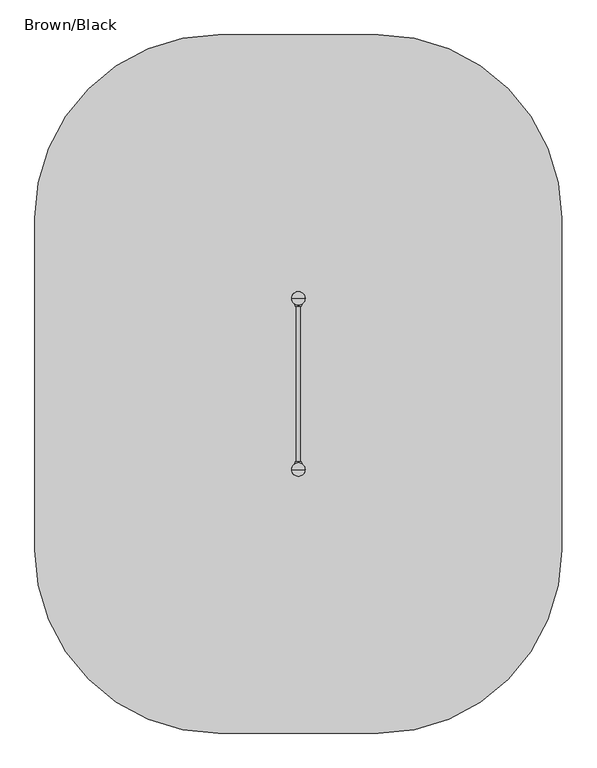
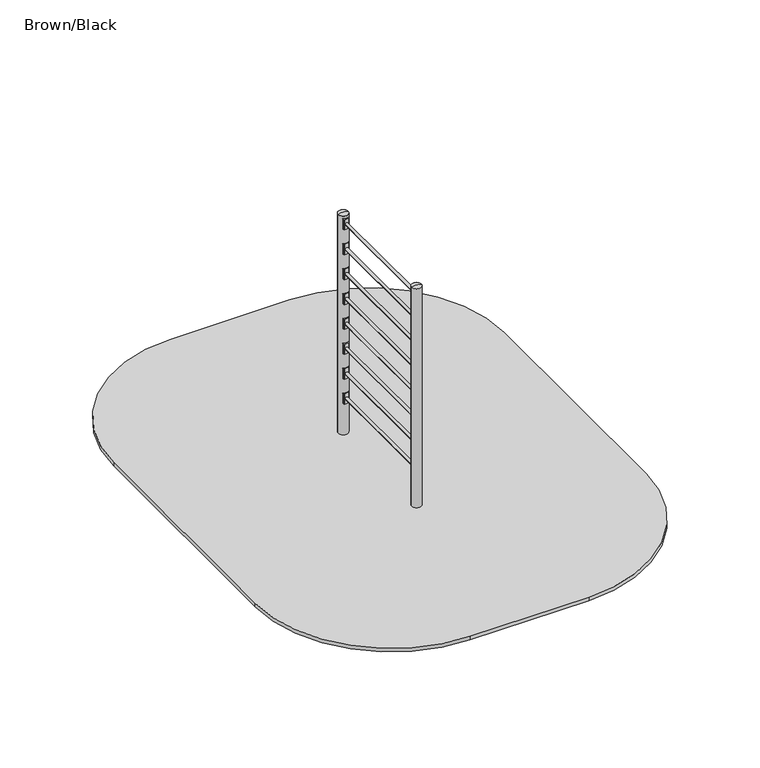
"""IFC4 building model written with IfcOpenShell, lengths in millimetres: furniture geometry, Brown/Black."""

from ifc_helpers import new_model, si_unit, point, frame, frame_2d, origin, place, context, project, spatial, polyline, circle_curve, ellipse_curve, trimmed, segment, composite_curve, outline, extrude, source, transform, mapped, element, save
from ifc_brep_helpers import plane_surface, cylinder_surface, revolved_surface, extruded_surface, advanced_brep


def brown_black_fc62d485(model_context):
    return source(origin(), model_context, "Body", "SolidModel", [
        extrude(outline(composite_curve([segment(trimmed(circle_curve(frame_2d((1769.3699948, 1557.9182617)), 1.0), [point((1768.8276734, 1558.7584329))], [point((1770.3096874, 1557.5762416))], False, "CARTESIAN"), True, "CONTINUOUS"), segment(polyline([(1770.3096874, 1557.5762416), (1764.2394832, 1540.8984927)]), True, "CONTINUOUS"), segment(trimmed(circle_curve(frame_2d((1763.2997906, 1541.2405128)), 1.0), [point((1764.2394832, 1540.8984927))], [point((1763.2997906, 1540.2405128))], False, "CARTESIAN"), True, "CONTINUOUS"), segment(polyline([(1763.2997906, 1540.2405128), (1714.7002057, 1540.2405128)]), True, "CONTINUOUS"), segment(trimmed(circle_curve(frame_2d((1714.7002057, 1541.2405128)), 1.0), [point((1714.7002057, 1540.2405128))], [point((1713.7605131, 1540.8984927))], False, "CARTESIAN"), True, "CONTINUOUS"), segment(polyline([(1713.7605131, 1540.8984927), (1707.6903089, 1557.5762416)]), True, "CONTINUOUS"), segment(trimmed(circle_curve(frame_2d((1708.6300015, 1557.9182617)), 1.0), [point((1707.6903089, 1557.5762416))], [point((1709.1723229, 1558.7584329))], False, "CARTESIAN"), True, "CONTINUOUS"), segment(trimmed(circle_curve(frame_2d((1738.9999981, 1604.9678452)), 55.0), [point((1709.1723229, 1558.7584329))], [point((1768.8276734, 1558.7584329))], True, "CARTESIAN"), True, "CONTINUOUS")], self_intersect=False)), frame((0.0, 0.0, 2400.0), z_axis=(0.0, 0.0, 1.0), x_axis=(1.0, 0.0, 0.0)), (0.0, 0.0, 1.0), 120.0),
        extrude(outline(composite_curve([segment(trimmed(circle_curve(frame_2d((1708.6300052, 252.0740781)), 1.0), [point((1709.1723266, 251.233907))], [point((1707.6903126, 252.4160982))], False, "CARTESIAN"), True, "CONTINUOUS"), segment(polyline([(1707.6903126, 252.4160982), (1713.7605168, 269.0938471)]), True, "CONTINUOUS"), segment(trimmed(circle_curve(frame_2d((1714.7002094, 268.751827)), 1.0), [point((1713.7605168, 269.0938471))], [point((1714.7002094, 269.751827))], False, "CARTESIAN"), True, "CONTINUOUS"), segment(polyline([(1714.7002094, 269.751827), (1763.2997943, 269.751827)]), True, "CONTINUOUS"), segment(trimmed(circle_curve(frame_2d((1763.2997943, 268.751827)), 1.0), [point((1763.2997943, 269.751827))], [point((1764.2394869, 269.0938471))], False, "CARTESIAN"), True, "CONTINUOUS"), segment(polyline([(1764.2394869, 269.0938471), (1770.3096911, 252.4160982)]), True, "CONTINUOUS"), segment(trimmed(circle_curve(frame_2d((1769.3699985, 252.0740781)), 1.0), [point((1770.3096911, 252.4160982))], [point((1768.8276771, 251.233907))], False, "CARTESIAN"), True, "CONTINUOUS"), segment(trimmed(circle_curve(frame_2d((1739.0000019, 205.0244946)), 55.0), [point((1768.8276771, 251.233907))], [point((1709.1723266, 251.233907))], True, "CARTESIAN"), True, "CONTINUOUS")], self_intersect=False)), frame((0.0, 0.0, 2400.0), z_axis=(0.0, 0.0, 1.0), x_axis=(1.0, 0.0, 0.0)), (0.0, 0.0, 1.0), 120.0),
        extrude(outline(composite_curve([segment(trimmed(circle_curve(frame_2d((1769.3699948, 1557.9182617)), 1.0), [point((1768.8276734, 1558.7584329))], [point((1770.3096874, 1557.5762416))], False, "CARTESIAN"), True, "CONTINUOUS"), segment(polyline([(1770.3096874, 1557.5762416), (1764.2394832, 1540.8984927)]), True, "CONTINUOUS"), segment(trimmed(circle_curve(frame_2d((1763.2997906, 1541.2405128)), 1.0), [point((1764.2394832, 1540.8984927))], [point((1763.2997906, 1540.2405128))], False, "CARTESIAN"), True, "CONTINUOUS"), segment(polyline([(1763.2997906, 1540.2405128), (1714.7002057, 1540.2405128)]), True, "CONTINUOUS"), segment(trimmed(circle_curve(frame_2d((1714.7002057, 1541.2405128)), 1.0), [point((1714.7002057, 1540.2405128))], [point((1713.7605131, 1540.8984927))], False, "CARTESIAN"), True, "CONTINUOUS"), segment(polyline([(1713.7605131, 1540.8984927), (1707.6903089, 1557.5762416)]), True, "CONTINUOUS"), segment(trimmed(circle_curve(frame_2d((1708.6300015, 1557.9182617)), 1.0), [point((1707.6903089, 1557.5762416))], [point((1709.1723229, 1558.7584329))], False, "CARTESIAN"), True, "CONTINUOUS"), segment(trimmed(circle_curve(frame_2d((1738.9999981, 1604.9678452)), 55.0), [point((1709.1723229, 1558.7584329))], [point((1768.8276734, 1558.7584329))], True, "CARTESIAN"), True, "CONTINUOUS")], self_intersect=False)), frame((0.0, 0.0, 2110.0), z_axis=(0.0, 0.0, 1.0), x_axis=(1.0, 0.0, 0.0)), (0.0, 0.0, 1.0), 120.0),
        extrude(outline(composite_curve([segment(trimmed(circle_curve(frame_2d((1708.6300052, 252.0740781)), 1.0), [point((1709.1723266, 251.233907))], [point((1707.6903126, 252.4160982))], False, "CARTESIAN"), True, "CONTINUOUS"), segment(polyline([(1707.6903126, 252.4160982), (1713.7605168, 269.0938471)]), True, "CONTINUOUS"), segment(trimmed(circle_curve(frame_2d((1714.7002094, 268.751827)), 1.0), [point((1713.7605168, 269.0938471))], [point((1714.7002094, 269.751827))], False, "CARTESIAN"), True, "CONTINUOUS"), segment(polyline([(1714.7002094, 269.751827), (1763.2997943, 269.751827)]), True, "CONTINUOUS"), segment(trimmed(circle_curve(frame_2d((1763.2997943, 268.751827)), 1.0), [point((1763.2997943, 269.751827))], [point((1764.2394869, 269.0938471))], False, "CARTESIAN"), True, "CONTINUOUS"), segment(polyline([(1764.2394869, 269.0938471), (1770.3096911, 252.4160982)]), True, "CONTINUOUS"), segment(trimmed(circle_curve(frame_2d((1769.3699985, 252.0740781)), 1.0), [point((1770.3096911, 252.4160982))], [point((1768.8276771, 251.233907))], False, "CARTESIAN"), True, "CONTINUOUS"), segment(trimmed(circle_curve(frame_2d((1739.0000019, 205.0244946)), 55.0), [point((1768.8276771, 251.233907))], [point((1709.1723266, 251.233907))], True, "CARTESIAN"), True, "CONTINUOUS")], self_intersect=False)), frame((0.0, 0.0, 2110.0), z_axis=(0.0, 0.0, 1.0), x_axis=(1.0, 0.0, 0.0)), (0.0, 0.0, 1.0), 120.0),
        advanced_brep(
        [(1751.5, 1677.4599432, -225.0), (1739.0, 1677.4599432, -225.0), (1726.5, 1677.4599432, -225.0), (1666.5, 1617.4599432, -225.0), (1666.5, 1592.4599432, -225.0), (1726.5, 1532.4599432, -225.0), (1751.5, 1532.4599432, -225.0), (1811.5, 1592.4599432, -225.0), (1811.5, 1617.4599432, -225.0), (1829.0, 1755.0, -460.0), (1739.0, 1755.0, -460.0), (1649.0, 1755.0, -460.0), (1589.0, 1695.0, -460.0), (1589.0, 1515.0, -460.0), (1649.0, 1455.0, -460.0), (1829.0, 1455.0, -460.0), (1889.0, 1515.0, -460.0), (1889.0, 1695.0, -460.0), (1829.0, 1755.0, -600.0), (1889.0, 1695.0, -600.0), (1889.0, 1515.0, -600.0), (1829.0, 1455.0, -600.0), (1649.0, 1455.0, -600.0), (1589.0, 1515.0, -600.0), (1589.0, 1695.0, -600.0), (1649.0, 1755.0, -600.0), (1739.0, 1755.0, -600.0)],
        [
            (0, 1),
            (1, 2),
            (2, 3, circle_curve(frame((1726.5, 1617.4599432, -225.0), z_axis=(0.0, 0.0, 1.0), x_axis=(1.0, 0.0, 0.0)), 60.0)),
            (3, 4),
            (4, 5, circle_curve(frame((1726.5, 1592.4599432, -225.0), z_axis=(0.0, 0.0, 1.0), x_axis=(1.0, 0.0, 0.0)), 60.0)),
            (5, 6),
            (6, 7, circle_curve(frame((1751.5, 1592.4599432, -225.0), z_axis=(0.0, 0.0, 1.0), x_axis=(1.0, 0.0, 0.0)), 60.0)),
            (7, 8),
            (8, 0, circle_curve(frame((1751.5, 1617.4599432, -225.0), z_axis=(0.0, 0.0, 1.0), x_axis=(1.0, 0.0, 0.0)), 60.0)),
            (0, 9),
            (9, 10),
            (10, 1),
            (10, 11),
            (11, 2),
            (11, 12, circle_curve(frame((1649.0, 1695.0, -460.0), z_axis=(0.0, 0.0, 1.0), x_axis=(1.0, 0.0, 0.0)), 60.0)),
            (12, 3),
            (12, 13),
            (13, 4),
            (13, 14, circle_curve(frame((1649.0, 1515.0, -460.0), z_axis=(0.0, 0.0, 1.0), x_axis=(1.0, 0.0, 0.0)), 60.0)),
            (14, 5),
            (14, 15),
            (15, 6),
            (15, 16, circle_curve(frame((1829.0, 1515.0, -460.0), z_axis=(0.0, 0.0, 1.0), x_axis=(1.0, 0.0, 0.0)), 60.0)),
            (16, 7),
            (16, 17),
            (17, 8),
            (17, 9, circle_curve(frame((1829.0, 1695.0, -460.0), z_axis=(0.0, 0.0, 1.0), x_axis=(1.0, 0.0, 0.0)), 60.0)),
            (18, 19, circle_curve(frame((1829.0, 1695.0, -600.0), z_axis=(0.0, 0.0, -1.0), x_axis=(1.0, 0.0, 0.0)), 60.0)),
            (19, 20),
            (20, 21, circle_curve(frame((1829.0, 1515.0, -600.0), z_axis=(0.0, 0.0, -1.0), x_axis=(1.0, 0.0, 0.0)), 60.0)),
            (21, 22),
            (22, 23, circle_curve(frame((1649.0, 1515.0, -600.0), z_axis=(0.0, 0.0, -1.0), x_axis=(1.0, 0.0, 0.0)), 60.0)),
            (23, 24),
            (24, 25, circle_curve(frame((1649.0, 1695.0, -600.0), z_axis=(0.0, 0.0, -1.0), x_axis=(1.0, 0.0, 0.0)), 60.0)),
            (25, 26),
            (26, 18),
            (26, 10),
            (9, 18),
            (25, 11),
            (23, 13),
            (12, 24),
            (21, 15),
            (14, 22),
            (19, 17),
            (16, 20),
        ],
        [
            plane_surface(frame((1739.0, 1613.0154988, -225.0), z_axis=(0.0, 0.0, 1.0), x_axis=(-1.0, 0.0, 0.0))),
            plane_surface(frame((1745.25, 1677.4599432, -225.0), z_axis=(0.0, 0.9496406059136844, 0.3133412191204512), x_axis=(1.0, 0.0, 0.0))),
            plane_surface(frame((1732.75, 1677.4599432, -225.0), z_axis=(0.0, 0.9496406059136843, 0.3133412191204512), x_axis=(1.0, 0.0, 0.0))),
            extruded_surface(trimmed(circle_curve(frame((1726.5, 1617.4599432, -225.0), z_axis=(0.0, 0.0, -1.0), x_axis=(1.0, 0.0, 0.0)), 60.0), [point((1666.5, 1617.4599432, -225.0))], [point((1726.5, 1677.4599432, -225.0))], True, "CARTESIAN"), (-77.5, 77.5400568, -235.0), 259.3139225119763),
            plane_surface(frame((1666.5, 1604.9599432, -225.0), z_axis=(-0.9496887635303409, 0.0, 0.31319523052596476), x_axis=(0.0, 1.0, 0.0))),
            extruded_surface(trimmed(circle_curve(frame((1726.5, 1592.4599432, -225.0), z_axis=(0.0, 0.0, -1.0), x_axis=(1.0, 0.0, 0.0)), 60.0), [point((1726.5, 1532.4599432, -225.0))], [point((1666.5, 1592.4599432, -225.0))], True, "CARTESIAN"), (-77.5, -77.4599432, -235.0), 259.2899782107809),
            plane_surface(frame((1739.0, 1532.4599432, -225.0), z_axis=(0.0, -0.9497369035840961, 0.3130492197250991), x_axis=(-1.0, 0.0, 0.0))),
            extruded_surface(trimmed(circle_curve(frame((1751.5, 1592.4599432, -225.0), z_axis=(0.0, 0.0, -1.0), x_axis=(1.0, 0.0, 0.0)), 60.0), [point((1811.5, 1592.4599432, -225.0))], [point((1751.5, 1532.4599432, -225.0))], True, "CARTESIAN"), (77.5, -77.4599432, -235.0), 259.2899782107809),
            plane_surface(frame((1811.5, 1604.9599432, -225.0), z_axis=(0.9496887635303416, 0.0, 0.3131952305259627), x_axis=(0.0, -1.0, 0.0))),
            extruded_surface(trimmed(circle_curve(frame((1751.5, 1617.4599432, -225.0), z_axis=(0.0, 0.0, -1.0), x_axis=(1.0, 0.0, 0.0)), 60.0), [point((1751.5, 1677.4599432, -225.0))], [point((1811.5, 1617.4599432, -225.0))], True, "CARTESIAN"), (77.5, 77.5400568, -235.0), 259.3139225119763),
            plane_surface(frame((1739.0, 1755.0, -600.0), z_axis=(0.0, 0.0, -1.0), x_axis=(1.0, 0.0, 0.0))),
            plane_surface(frame((1829.0, 1755.0, -460.0), z_axis=(0.0, 1.0, 0.0), x_axis=(0.0, 0.0, -1.0))),
            plane_surface(frame((1739.0, 1755.0, -460.0), z_axis=(0.0, 1.0, 0.0), x_axis=(0.0, 0.0, -1.0))),
            plane_surface(frame((1589.0, 1695.0, -460.0), z_axis=(-1.0, 0.0, 0.0), x_axis=(0.0, 0.0, -1.0))),
            plane_surface(frame((1649.0, 1455.0, -460.0), z_axis=(0.0, -1.0, 0.0), x_axis=(0.0, 0.0, -1.0))),
            plane_surface(frame((1889.0, 1515.0, -460.0), z_axis=(1.0, 0.0, 0.0), x_axis=(0.0, 0.0, -1.0))),
            cylinder_surface(frame((1649.0, 1695.0, -600.0), z_axis=(0.0, 0.0, 1.0), x_axis=(1.0, 0.0, 0.0)), 60.0),
            cylinder_surface(frame((1649.0, 1515.0, -600.0), z_axis=(0.0, 0.0, 1.0), x_axis=(1.0, 0.0, 0.0)), 60.0),
            cylinder_surface(frame((1829.0, 1515.0, -600.0), z_axis=(0.0, 0.0, 1.0), x_axis=(1.0, 0.0, 0.0)), 60.0),
            cylinder_surface(frame((1829.0, 1695.0, -600.0), z_axis=(0.0, 0.0, 1.0), x_axis=(1.0, 0.0, 0.0)), 60.0),
        ],
        [
            (0, [[1, 2, 3, 4, 5, 6, 7, 8, 9]]),
            (1, [[-1, 10, 11, 12]]),
            (2, [[-2, -12, 13, 14]]),
            (3, [[-3, -14, 15, 16]]),
            (4, [[-4, -16, 17, 18]]),
            (5, [[-5, -18, 19, 20]]),
            (6, [[-6, -20, 21, 22]]),
            (7, [[-7, -22, 23, 24]]),
            (8, [[-8, -24, 25, 26]]),
            (9, [[-9, -26, 27, -10]]),
            (10, [[28, 29, 30, 31, 32, 33, 34, 35, 36]]),
            (11, [[-36, 37, -11, 38]]),
            (12, [[-35, 39, -13, -37]]),
            (13, [[-33, 40, -17, 41]]),
            (14, [[-31, 42, -21, 43]]),
            (15, [[-29, 44, -25, 45]]),
            (16, [[-34, -41, -15, -39]]),
            (17, [[-32, -43, -19, -40]]),
            (18, [[-30, -45, -23, -42]]),
            (19, [[-28, -38, -27, -44]]),
        ],
    ),
        extrude(outline(composite_curve([segment(trimmed(circle_curve(frame_2d((1739.0, 1605.0)), 55.0), [point((1684.0, 1605.0))], [point((1794.0, 1605.0))], False, "CARTESIAN"), True, "CONTINUOUS"), segment(trimmed(circle_curve(frame_2d((1739.0, 1605.0)), 55.0), [point((1794.0, 1605.0))], [point((1684.0, 1605.0))], False, "CARTESIAN"), True, "CONTINUOUS")], self_intersect=False)), frame((0.0, 0.0, -600.0), z_axis=(0.0, 0.0, 1.0), x_axis=(1.0, 0.0, 0.0)), (0.0, 0.0, 1.0), 500.0),
        advanced_brep(
        [(1751.5, 277.4599432, -225.0), (1739.0, 277.4599432, -225.0), (1726.5, 277.4599432, -225.0), (1666.5, 217.4599432, -225.0), (1666.5, 192.4599432, -225.0), (1726.5, 132.4599432, -225.0), (1751.5, 132.4599432, -225.0), (1811.5, 192.4599432, -225.0), (1811.5, 217.4599432, -225.0), (1829.0, 355.0, -460.0), (1739.0, 355.0, -460.0), (1649.0, 355.0, -460.0), (1589.0, 295.0, -460.0), (1589.0, 115.0, -460.0), (1649.0, 55.0, -460.0), (1829.0, 55.0, -460.0), (1889.0, 115.0, -460.0), (1889.0, 295.0, -460.0), (1829.0, 355.0, -600.0), (1889.0, 295.0, -600.0), (1889.0, 115.0, -600.0), (1829.0, 55.0, -600.0), (1649.0, 55.0, -600.0), (1589.0, 115.0, -600.0), (1589.0, 295.0, -600.0), (1649.0, 355.0, -600.0), (1739.0, 355.0, -600.0)],
        [
            (0, 1),
            (1, 2),
            (2, 3, circle_curve(frame((1726.5, 217.4599432, -225.0), z_axis=(0.0, 0.0, 1.0), x_axis=(1.0, 0.0, 0.0)), 60.0)),
            (3, 4),
            (4, 5, circle_curve(frame((1726.5, 192.4599432, -225.0), z_axis=(0.0, 0.0, 1.0), x_axis=(1.0, 0.0, 0.0)), 60.0)),
            (5, 6),
            (6, 7, circle_curve(frame((1751.5, 192.4599432, -225.0), z_axis=(0.0, 0.0, 1.0), x_axis=(1.0, 0.0, 0.0)), 60.0)),
            (7, 8),
            (8, 0, circle_curve(frame((1751.5, 217.4599432, -225.0), z_axis=(0.0, 0.0, 1.0), x_axis=(1.0, 0.0, 0.0)), 60.0)),
            (0, 9),
            (9, 10),
            (10, 1),
            (10, 11),
            (11, 2),
            (11, 12, circle_curve(frame((1649.0, 295.0, -460.0), z_axis=(0.0, 0.0, 1.0), x_axis=(1.0, 0.0, 0.0)), 60.0)),
            (12, 3),
            (12, 13),
            (13, 4),
            (13, 14, circle_curve(frame((1649.0, 115.0, -460.0), z_axis=(0.0, 0.0, 1.0), x_axis=(1.0, 0.0, 0.0)), 60.0)),
            (14, 5),
            (14, 15),
            (15, 6),
            (15, 16, circle_curve(frame((1829.0, 115.0, -460.0), z_axis=(0.0, 0.0, 1.0), x_axis=(1.0, 0.0, 0.0)), 60.0)),
            (16, 7),
            (16, 17),
            (17, 8),
            (17, 9, circle_curve(frame((1829.0, 295.0, -460.0), z_axis=(0.0, 0.0, 1.0), x_axis=(1.0, 0.0, 0.0)), 60.0)),
            (18, 19, circle_curve(frame((1829.0, 295.0, -600.0), z_axis=(0.0, 0.0, -1.0), x_axis=(1.0, 0.0, 0.0)), 60.0)),
            (19, 20),
            (20, 21, circle_curve(frame((1829.0, 115.0, -600.0), z_axis=(0.0, 0.0, -1.0), x_axis=(1.0, 0.0, 0.0)), 60.0)),
            (21, 22),
            (22, 23, circle_curve(frame((1649.0, 115.0, -600.0), z_axis=(0.0, 0.0, -1.0), x_axis=(1.0, 0.0, 0.0)), 60.0)),
            (23, 24),
            (24, 25, circle_curve(frame((1649.0, 295.0, -600.0), z_axis=(0.0, 0.0, -1.0), x_axis=(1.0, 0.0, 0.0)), 60.0)),
            (25, 26),
            (26, 18),
            (26, 10),
            (9, 18),
            (25, 11),
            (23, 13),
            (12, 24),
            (21, 15),
            (14, 22),
            (19, 17),
            (16, 20),
        ],
        [
            plane_surface(frame((1739.0, 213.0154988, -225.0), z_axis=(0.0, 0.0, 1.0), x_axis=(-1.0, 0.0, 0.0))),
            plane_surface(frame((1745.25, 277.4599432, -225.0), z_axis=(0.0, 0.9496406059136844, 0.3133412191204512), x_axis=(1.0, 0.0, 0.0))),
            plane_surface(frame((1732.75, 277.4599432, -225.0), z_axis=(0.0, 0.9496406059136843, 0.3133412191204512), x_axis=(1.0, 0.0, 0.0))),
            extruded_surface(trimmed(circle_curve(frame((1726.5, 217.4599432, -225.0), z_axis=(0.0, 0.0, -1.0), x_axis=(1.0, 0.0, 0.0)), 60.0), [point((1666.5, 217.4599432, -225.0))], [point((1726.5, 277.4599432, -225.0))], True, "CARTESIAN"), (-77.5, 77.5400568, -235.0), 259.3139225119763),
            plane_surface(frame((1666.5, 204.9599432, -225.0), z_axis=(-0.9496887635303409, 0.0, 0.31319523052596476), x_axis=(0.0, 1.0, 0.0))),
            extruded_surface(trimmed(circle_curve(frame((1726.5, 192.4599432, -225.0), z_axis=(0.0, 0.0, -1.0), x_axis=(1.0, 0.0, 0.0)), 60.0), [point((1726.5, 132.4599432, -225.0))], [point((1666.5, 192.4599432, -225.0))], True, "CARTESIAN"), (-77.5, -77.4599432, -235.0), 259.2899782107809),
            plane_surface(frame((1739.0, 132.4599432, -225.0), z_axis=(0.0, -0.9497369035840961, 0.3130492197250991), x_axis=(-1.0, 0.0, 0.0))),
            extruded_surface(trimmed(circle_curve(frame((1751.5, 192.4599432, -225.0), z_axis=(0.0, 0.0, -1.0), x_axis=(1.0, 0.0, 0.0)), 60.0), [point((1811.5, 192.4599432, -225.0))], [point((1751.5, 132.4599432, -225.0))], True, "CARTESIAN"), (77.5, -77.4599432, -235.0), 259.2899782107809),
            plane_surface(frame((1811.5, 204.9599432, -225.0), z_axis=(0.9496887635303416, 0.0, 0.3131952305259627), x_axis=(0.0, -1.0, 0.0))),
            extruded_surface(trimmed(circle_curve(frame((1751.5, 217.4599432, -225.0), z_axis=(0.0, 0.0, -1.0), x_axis=(1.0, 0.0, 0.0)), 60.0), [point((1751.5, 277.4599432, -225.0))], [point((1811.5, 217.4599432, -225.0))], True, "CARTESIAN"), (77.5, 77.5400568, -235.0), 259.3139225119763),
            plane_surface(frame((1739.0, 355.0, -600.0), z_axis=(0.0, 0.0, -1.0), x_axis=(1.0, 0.0, 0.0))),
            plane_surface(frame((1829.0, 355.0, -460.0), z_axis=(0.0, 1.0, 0.0), x_axis=(0.0, 0.0, -1.0))),
            plane_surface(frame((1739.0, 355.0, -460.0), z_axis=(0.0, 1.0, 0.0), x_axis=(0.0, 0.0, -1.0))),
            plane_surface(frame((1589.0, 295.0, -460.0), z_axis=(-1.0, 0.0, 0.0), x_axis=(0.0, 0.0, -1.0))),
            plane_surface(frame((1649.0, 55.0, -460.0), z_axis=(0.0, -1.0, 0.0), x_axis=(0.0, 0.0, -1.0))),
            plane_surface(frame((1889.0, 115.0, -460.0), z_axis=(1.0, 0.0, 0.0), x_axis=(0.0, 0.0, -1.0))),
            cylinder_surface(frame((1649.0, 295.0, -600.0), z_axis=(0.0, 0.0, 1.0), x_axis=(1.0, 0.0, 0.0)), 60.0),
            cylinder_surface(frame((1649.0, 115.0, -600.0), z_axis=(0.0, 0.0, 1.0), x_axis=(1.0, 0.0, 0.0)), 60.0),
            cylinder_surface(frame((1829.0, 115.0, -600.0), z_axis=(0.0, 0.0, 1.0), x_axis=(1.0, 0.0, 0.0)), 60.0),
            cylinder_surface(frame((1829.0, 295.0, -600.0), z_axis=(0.0, 0.0, 1.0), x_axis=(1.0, 0.0, 0.0)), 60.0),
        ],
        [
            (0, [[1, 2, 3, 4, 5, 6, 7, 8, 9]]),
            (1, [[-1, 10, 11, 12]]),
            (2, [[-2, -12, 13, 14]]),
            (3, [[-3, -14, 15, 16]]),
            (4, [[-4, -16, 17, 18]]),
            (5, [[-5, -18, 19, 20]]),
            (6, [[-6, -20, 21, 22]]),
            (7, [[-7, -22, 23, 24]]),
            (8, [[-8, -24, 25, 26]]),
            (9, [[-9, -26, 27, -10]]),
            (10, [[28, 29, 30, 31, 32, 33, 34, 35, 36]]),
            (11, [[-36, 37, -11, 38]]),
            (12, [[-35, 39, -13, -37]]),
            (13, [[-33, 40, -17, 41]]),
            (14, [[-31, 42, -21, 43]]),
            (15, [[-29, 44, -25, 45]]),
            (16, [[-34, -41, -15, -39]]),
            (17, [[-32, -43, -19, -40]]),
            (18, [[-30, -45, -23, -42]]),
            (19, [[-28, -38, -27, -44]]),
        ],
    ),
        extrude(outline(composite_curve([segment(trimmed(circle_curve(frame_2d((1739.0, 205.0)), 55.0), [point((1684.0, 205.0))], [point((1794.0, 205.0))], False, "CARTESIAN"), True, "CONTINUOUS"), segment(trimmed(circle_curve(frame_2d((1739.0, 205.0)), 55.0), [point((1794.0, 205.0))], [point((1684.0, 205.0))], False, "CARTESIAN"), True, "CONTINUOUS")], self_intersect=False)), frame((0.0, 0.0, -600.0), z_axis=(0.0, 0.0, 1.0), x_axis=(1.0, 0.0, 0.0)), (0.0, 0.0, 1.0), 500.0),
        extrude(outline(composite_curve([segment(trimmed(circle_curve(frame_2d((1769.3699948, 1557.9182617)), 1.0), [point((1768.8276734, 1558.7584329))], [point((1770.3096874, 1557.5762416))], False, "CARTESIAN"), True, "CONTINUOUS"), segment(polyline([(1770.3096874, 1557.5762416), (1764.2394832, 1540.8984927)]), True, "CONTINUOUS"), segment(trimmed(circle_curve(frame_2d((1763.2997906, 1541.2405128)), 1.0), [point((1764.2394832, 1540.8984927))], [point((1763.2997906, 1540.2405128))], False, "CARTESIAN"), True, "CONTINUOUS"), segment(polyline([(1763.2997906, 1540.2405128), (1714.7002057, 1540.2405128)]), True, "CONTINUOUS"), segment(trimmed(circle_curve(frame_2d((1714.7002057, 1541.2405128)), 1.0), [point((1714.7002057, 1540.2405128))], [point((1713.7605131, 1540.8984927))], False, "CARTESIAN"), True, "CONTINUOUS"), segment(polyline([(1713.7605131, 1540.8984927), (1707.6903089, 1557.5762416)]), True, "CONTINUOUS"), segment(trimmed(circle_curve(frame_2d((1708.6300015, 1557.9182617)), 1.0), [point((1707.6903089, 1557.5762416))], [point((1709.1723229, 1558.7584329))], False, "CARTESIAN"), True, "CONTINUOUS"), segment(trimmed(circle_curve(frame_2d((1738.9999981, 1604.9678452)), 55.0), [point((1709.1723229, 1558.7584329))], [point((1768.8276734, 1558.7584329))], True, "CARTESIAN"), True, "CONTINUOUS")], self_intersect=False)), frame((0.0, 0.0, 370.0), z_axis=(0.0, 0.0, 1.0), x_axis=(1.0, 0.0, 0.0)), (0.0, 0.0, 1.0), 120.0),
        extrude(outline(composite_curve([segment(trimmed(circle_curve(frame_2d((1708.6300052, 252.0740781)), 1.0), [point((1709.1723266, 251.233907))], [point((1707.6903126, 252.4160982))], False, "CARTESIAN"), True, "CONTINUOUS"), segment(polyline([(1707.6903126, 252.4160982), (1713.7605168, 269.0938471)]), True, "CONTINUOUS"), segment(trimmed(circle_curve(frame_2d((1714.7002094, 268.751827)), 1.0), [point((1713.7605168, 269.0938471))], [point((1714.7002094, 269.751827))], False, "CARTESIAN"), True, "CONTINUOUS"), segment(polyline([(1714.7002094, 269.751827), (1763.2997943, 269.751827)]), True, "CONTINUOUS"), segment(trimmed(circle_curve(frame_2d((1763.2997943, 268.751827)), 1.0), [point((1763.2997943, 269.751827))], [point((1764.2394869, 269.0938471))], False, "CARTESIAN"), True, "CONTINUOUS"), segment(polyline([(1764.2394869, 269.0938471), (1770.3096911, 252.4160982)]), True, "CONTINUOUS"), segment(trimmed(circle_curve(frame_2d((1769.3699985, 252.0740781)), 1.0), [point((1770.3096911, 252.4160982))], [point((1768.8276771, 251.233907))], False, "CARTESIAN"), True, "CONTINUOUS"), segment(trimmed(circle_curve(frame_2d((1739.0000019, 205.0244946)), 55.0), [point((1768.8276771, 251.233907))], [point((1709.1723266, 251.233907))], True, "CARTESIAN"), True, "CONTINUOUS")], self_intersect=False)), frame((0.0, 0.0, 370.0), z_axis=(0.0, 0.0, 1.0), x_axis=(1.0, 0.0, 0.0)), (0.0, 0.0, 1.0), 120.0),
        extrude(outline(composite_curve([segment(trimmed(circle_curve(frame_2d((1769.3699948, 1557.9182617)), 1.0), [point((1768.8276734, 1558.7584329))], [point((1770.3096874, 1557.5762416))], False, "CARTESIAN"), True, "CONTINUOUS"), segment(polyline([(1770.3096874, 1557.5762416), (1764.2394832, 1540.8984927)]), True, "CONTINUOUS"), segment(trimmed(circle_curve(frame_2d((1763.2997906, 1541.2405128)), 1.0), [point((1764.2394832, 1540.8984927))], [point((1763.2997906, 1540.2405128))], False, "CARTESIAN"), True, "CONTINUOUS"), segment(polyline([(1763.2997906, 1540.2405128), (1714.7002057, 1540.2405128)]), True, "CONTINUOUS"), segment(trimmed(circle_curve(frame_2d((1714.7002057, 1541.2405128)), 1.0), [point((1714.7002057, 1540.2405128))], [point((1713.7605131, 1540.8984927))], False, "CARTESIAN"), True, "CONTINUOUS"), segment(polyline([(1713.7605131, 1540.8984927), (1707.6903089, 1557.5762416)]), True, "CONTINUOUS"), segment(trimmed(circle_curve(frame_2d((1708.6300015, 1557.9182617)), 1.0), [point((1707.6903089, 1557.5762416))], [point((1709.1723229, 1558.7584329))], False, "CARTESIAN"), True, "CONTINUOUS"), segment(trimmed(circle_curve(frame_2d((1738.9999981, 1604.9678452)), 55.0), [point((1709.1723229, 1558.7584329))], [point((1768.8276734, 1558.7584329))], True, "CARTESIAN"), True, "CONTINUOUS")], self_intersect=False)), frame((0.0, 0.0, 660.0), z_axis=(0.0, 0.0, 1.0), x_axis=(1.0, 0.0, 0.0)), (0.0, 0.0, 1.0), 120.0),
        extrude(outline(composite_curve([segment(trimmed(circle_curve(frame_2d((1708.6300052, 252.0740781)), 1.0), [point((1709.1723266, 251.233907))], [point((1707.6903126, 252.4160982))], False, "CARTESIAN"), True, "CONTINUOUS"), segment(polyline([(1707.6903126, 252.4160982), (1713.7605168, 269.0938471)]), True, "CONTINUOUS"), segment(trimmed(circle_curve(frame_2d((1714.7002094, 268.751827)), 1.0), [point((1713.7605168, 269.0938471))], [point((1714.7002094, 269.751827))], False, "CARTESIAN"), True, "CONTINUOUS"), segment(polyline([(1714.7002094, 269.751827), (1763.2997943, 269.751827)]), True, "CONTINUOUS"), segment(trimmed(circle_curve(frame_2d((1763.2997943, 268.751827)), 1.0), [point((1763.2997943, 269.751827))], [point((1764.2394869, 269.0938471))], False, "CARTESIAN"), True, "CONTINUOUS"), segment(polyline([(1764.2394869, 269.0938471), (1770.3096911, 252.4160982)]), True, "CONTINUOUS"), segment(trimmed(circle_curve(frame_2d((1769.3699985, 252.0740781)), 1.0), [point((1770.3096911, 252.4160982))], [point((1768.8276771, 251.233907))], False, "CARTESIAN"), True, "CONTINUOUS"), segment(trimmed(circle_curve(frame_2d((1739.0000019, 205.0244946)), 55.0), [point((1768.8276771, 251.233907))], [point((1709.1723266, 251.233907))], True, "CARTESIAN"), True, "CONTINUOUS")], self_intersect=False)), frame((0.0, 0.0, 660.0), z_axis=(0.0, 0.0, 1.0), x_axis=(1.0, 0.0, 0.0)), (0.0, 0.0, 1.0), 120.0),
        extrude(outline(composite_curve([segment(trimmed(circle_curve(frame_2d((1769.3699948, 1557.9182617)), 1.0), [point((1768.8276734, 1558.7584329))], [point((1770.3096874, 1557.5762416))], False, "CARTESIAN"), True, "CONTINUOUS"), segment(polyline([(1770.3096874, 1557.5762416), (1764.2394832, 1540.8984927)]), True, "CONTINUOUS"), segment(trimmed(circle_curve(frame_2d((1763.2997906, 1541.2405128)), 1.0), [point((1764.2394832, 1540.8984927))], [point((1763.2997906, 1540.2405128))], False, "CARTESIAN"), True, "CONTINUOUS"), segment(polyline([(1763.2997906, 1540.2405128), (1714.7002057, 1540.2405128)]), True, "CONTINUOUS"), segment(trimmed(circle_curve(frame_2d((1714.7002057, 1541.2405128)), 1.0), [point((1714.7002057, 1540.2405128))], [point((1713.7605131, 1540.8984927))], False, "CARTESIAN"), True, "CONTINUOUS"), segment(polyline([(1713.7605131, 1540.8984927), (1707.6903089, 1557.5762416)]), True, "CONTINUOUS"), segment(trimmed(circle_curve(frame_2d((1708.6300015, 1557.9182617)), 1.0), [point((1707.6903089, 1557.5762416))], [point((1709.1723229, 1558.7584329))], False, "CARTESIAN"), True, "CONTINUOUS"), segment(trimmed(circle_curve(frame_2d((1738.9999981, 1604.9678452)), 55.0), [point((1709.1723229, 1558.7584329))], [point((1768.8276734, 1558.7584329))], True, "CARTESIAN"), True, "CONTINUOUS")], self_intersect=False)), frame((0.0, 0.0, 950.0), z_axis=(0.0, 0.0, 1.0), x_axis=(1.0, 0.0, 0.0)), (0.0, 0.0, 1.0), 120.0),
        extrude(outline(composite_curve([segment(trimmed(circle_curve(frame_2d((1708.6300052, 252.0740781)), 1.0), [point((1709.1723266, 251.233907))], [point((1707.6903126, 252.4160982))], False, "CARTESIAN"), True, "CONTINUOUS"), segment(polyline([(1707.6903126, 252.4160982), (1713.7605168, 269.0938471)]), True, "CONTINUOUS"), segment(trimmed(circle_curve(frame_2d((1714.7002094, 268.751827)), 1.0), [point((1713.7605168, 269.0938471))], [point((1714.7002094, 269.751827))], False, "CARTESIAN"), True, "CONTINUOUS"), segment(polyline([(1714.7002094, 269.751827), (1763.2997943, 269.751827)]), True, "CONTINUOUS"), segment(trimmed(circle_curve(frame_2d((1763.2997943, 268.751827)), 1.0), [point((1763.2997943, 269.751827))], [point((1764.2394869, 269.0938471))], False, "CARTESIAN"), True, "CONTINUOUS"), segment(polyline([(1764.2394869, 269.0938471), (1770.3096911, 252.4160982)]), True, "CONTINUOUS"), segment(trimmed(circle_curve(frame_2d((1769.3699985, 252.0740781)), 1.0), [point((1770.3096911, 252.4160982))], [point((1768.8276771, 251.233907))], False, "CARTESIAN"), True, "CONTINUOUS"), segment(trimmed(circle_curve(frame_2d((1739.0000019, 205.0244946)), 55.0), [point((1768.8276771, 251.233907))], [point((1709.1723266, 251.233907))], True, "CARTESIAN"), True, "CONTINUOUS")], self_intersect=False)), frame((0.0, 0.0, 950.0), z_axis=(0.0, 0.0, 1.0), x_axis=(1.0, 0.0, 0.0)), (0.0, 0.0, 1.0), 120.0),
        extrude(outline(composite_curve([segment(trimmed(circle_curve(frame_2d((1769.3699948, 1557.9182617)), 1.0), [point((1768.8276734, 1558.7584329))], [point((1770.3096874, 1557.5762416))], False, "CARTESIAN"), True, "CONTINUOUS"), segment(polyline([(1770.3096874, 1557.5762416), (1764.2394832, 1540.8984927)]), True, "CONTINUOUS"), segment(trimmed(circle_curve(frame_2d((1763.2997906, 1541.2405128)), 1.0), [point((1764.2394832, 1540.8984927))], [point((1763.2997906, 1540.2405128))], False, "CARTESIAN"), True, "CONTINUOUS"), segment(polyline([(1763.2997906, 1540.2405128), (1714.7002057, 1540.2405128)]), True, "CONTINUOUS"), segment(trimmed(circle_curve(frame_2d((1714.7002057, 1541.2405128)), 1.0), [point((1714.7002057, 1540.2405128))], [point((1713.7605131, 1540.8984927))], False, "CARTESIAN"), True, "CONTINUOUS"), segment(polyline([(1713.7605131, 1540.8984927), (1707.6903089, 1557.5762416)]), True, "CONTINUOUS"), segment(trimmed(circle_curve(frame_2d((1708.6300015, 1557.9182617)), 1.0), [point((1707.6903089, 1557.5762416))], [point((1709.1723229, 1558.7584329))], False, "CARTESIAN"), True, "CONTINUOUS"), segment(trimmed(circle_curve(frame_2d((1738.9999981, 1604.9678452)), 55.0), [point((1709.1723229, 1558.7584329))], [point((1768.8276734, 1558.7584329))], True, "CARTESIAN"), True, "CONTINUOUS")], self_intersect=False)), frame((0.0, 0.0, 1240.0), z_axis=(0.0, 0.0, 1.0), x_axis=(1.0, 0.0, 0.0)), (0.0, 0.0, 1.0), 120.0),
        extrude(outline(composite_curve([segment(trimmed(circle_curve(frame_2d((1708.6300052, 252.0740781)), 1.0), [point((1709.1723266, 251.233907))], [point((1707.6903126, 252.4160982))], False, "CARTESIAN"), True, "CONTINUOUS"), segment(polyline([(1707.6903126, 252.4160982), (1713.7605168, 269.0938471)]), True, "CONTINUOUS"), segment(trimmed(circle_curve(frame_2d((1714.7002094, 268.751827)), 1.0), [point((1713.7605168, 269.0938471))], [point((1714.7002094, 269.751827))], False, "CARTESIAN"), True, "CONTINUOUS"), segment(polyline([(1714.7002094, 269.751827), (1763.2997943, 269.751827)]), True, "CONTINUOUS"), segment(trimmed(circle_curve(frame_2d((1763.2997943, 268.751827)), 1.0), [point((1763.2997943, 269.751827))], [point((1764.2394869, 269.0938471))], False, "CARTESIAN"), True, "CONTINUOUS"), segment(polyline([(1764.2394869, 269.0938471), (1770.3096911, 252.4160982)]), True, "CONTINUOUS"), segment(trimmed(circle_curve(frame_2d((1769.3699985, 252.0740781)), 1.0), [point((1770.3096911, 252.4160982))], [point((1768.8276771, 251.233907))], False, "CARTESIAN"), True, "CONTINUOUS"), segment(trimmed(circle_curve(frame_2d((1739.0000019, 205.0244946)), 55.0), [point((1768.8276771, 251.233907))], [point((1709.1723266, 251.233907))], True, "CARTESIAN"), True, "CONTINUOUS")], self_intersect=False)), frame((0.0, 0.0, 1240.0), z_axis=(0.0, 0.0, 1.0), x_axis=(1.0, 0.0, 0.0)), (0.0, 0.0, 1.0), 120.0),
        extrude(outline(composite_curve([segment(trimmed(circle_curve(frame_2d((1769.3699948, 1557.9182617)), 1.0), [point((1768.8276734, 1558.7584329))], [point((1770.3096874, 1557.5762416))], False, "CARTESIAN"), True, "CONTINUOUS"), segment(polyline([(1770.3096874, 1557.5762416), (1764.2394832, 1540.8984927)]), True, "CONTINUOUS"), segment(trimmed(circle_curve(frame_2d((1763.2997906, 1541.2405128)), 1.0), [point((1764.2394832, 1540.8984927))], [point((1763.2997906, 1540.2405128))], False, "CARTESIAN"), True, "CONTINUOUS"), segment(polyline([(1763.2997906, 1540.2405128), (1714.7002057, 1540.2405128)]), True, "CONTINUOUS"), segment(trimmed(circle_curve(frame_2d((1714.7002057, 1541.2405128)), 1.0), [point((1714.7002057, 1540.2405128))], [point((1713.7605131, 1540.8984927))], False, "CARTESIAN"), True, "CONTINUOUS"), segment(polyline([(1713.7605131, 1540.8984927), (1707.6903089, 1557.5762416)]), True, "CONTINUOUS"), segment(trimmed(circle_curve(frame_2d((1708.6300015, 1557.9182617)), 1.0), [point((1707.6903089, 1557.5762416))], [point((1709.1723229, 1558.7584329))], False, "CARTESIAN"), True, "CONTINUOUS"), segment(trimmed(circle_curve(frame_2d((1738.9999981, 1604.9678452)), 55.0), [point((1709.1723229, 1558.7584329))], [point((1768.8276734, 1558.7584329))], True, "CARTESIAN"), True, "CONTINUOUS")], self_intersect=False)), frame((0.0, 0.0, 1530.0), z_axis=(0.0, 0.0, 1.0), x_axis=(1.0, 0.0, 0.0)), (0.0, 0.0, 1.0), 120.0),
        extrude(outline(composite_curve([segment(trimmed(circle_curve(frame_2d((1708.6300052, 252.0740781)), 1.0), [point((1709.1723266, 251.233907))], [point((1707.6903126, 252.4160982))], False, "CARTESIAN"), True, "CONTINUOUS"), segment(polyline([(1707.6903126, 252.4160982), (1713.7605168, 269.0938471)]), True, "CONTINUOUS"), segment(trimmed(circle_curve(frame_2d((1714.7002094, 268.751827)), 1.0), [point((1713.7605168, 269.0938471))], [point((1714.7002094, 269.751827))], False, "CARTESIAN"), True, "CONTINUOUS"), segment(polyline([(1714.7002094, 269.751827), (1763.2997943, 269.751827)]), True, "CONTINUOUS"), segment(trimmed(circle_curve(frame_2d((1763.2997943, 268.751827)), 1.0), [point((1763.2997943, 269.751827))], [point((1764.2394869, 269.0938471))], False, "CARTESIAN"), True, "CONTINUOUS"), segment(polyline([(1764.2394869, 269.0938471), (1770.3096911, 252.4160982)]), True, "CONTINUOUS"), segment(trimmed(circle_curve(frame_2d((1769.3699985, 252.0740781)), 1.0), [point((1770.3096911, 252.4160982))], [point((1768.8276771, 251.233907))], False, "CARTESIAN"), True, "CONTINUOUS"), segment(trimmed(circle_curve(frame_2d((1739.0000019, 205.0244946)), 55.0), [point((1768.8276771, 251.233907))], [point((1709.1723266, 251.233907))], True, "CARTESIAN"), True, "CONTINUOUS")], self_intersect=False)), frame((0.0, 0.0, 1530.0), z_axis=(0.0, 0.0, 1.0), x_axis=(1.0, 0.0, 0.0)), (0.0, 0.0, 1.0), 120.0),
        extrude(outline(composite_curve([segment(trimmed(circle_curve(frame_2d((1769.3699948, 1557.9182617)), 1.0), [point((1768.8276734, 1558.7584329))], [point((1770.3096874, 1557.5762416))], False, "CARTESIAN"), True, "CONTINUOUS"), segment(polyline([(1770.3096874, 1557.5762416), (1764.2394832, 1540.8984927)]), True, "CONTINUOUS"), segment(trimmed(circle_curve(frame_2d((1763.2997906, 1541.2405128)), 1.0), [point((1764.2394832, 1540.8984927))], [point((1763.2997906, 1540.2405128))], False, "CARTESIAN"), True, "CONTINUOUS"), segment(polyline([(1763.2997906, 1540.2405128), (1714.7002057, 1540.2405128)]), True, "CONTINUOUS"), segment(trimmed(circle_curve(frame_2d((1714.7002057, 1541.2405128)), 1.0), [point((1714.7002057, 1540.2405128))], [point((1713.7605131, 1540.8984927))], False, "CARTESIAN"), True, "CONTINUOUS"), segment(polyline([(1713.7605131, 1540.8984927), (1707.6903089, 1557.5762416)]), True, "CONTINUOUS"), segment(trimmed(circle_curve(frame_2d((1708.6300015, 1557.9182617)), 1.0), [point((1707.6903089, 1557.5762416))], [point((1709.1723229, 1558.7584329))], False, "CARTESIAN"), True, "CONTINUOUS"), segment(trimmed(circle_curve(frame_2d((1738.9999981, 1604.9678452)), 55.0), [point((1709.1723229, 1558.7584329))], [point((1768.8276734, 1558.7584329))], True, "CARTESIAN"), True, "CONTINUOUS")], self_intersect=False)), frame((0.0, 0.0, 1820.0), z_axis=(0.0, 0.0, 1.0), x_axis=(1.0, 0.0, 0.0)), (0.0, 0.0, 1.0), 120.0),
        extrude(outline(composite_curve([segment(trimmed(circle_curve(frame_2d((1708.6300052, 252.0740781)), 1.0), [point((1709.1723266, 251.233907))], [point((1707.6903126, 252.4160982))], False, "CARTESIAN"), True, "CONTINUOUS"), segment(polyline([(1707.6903126, 252.4160982), (1713.7605168, 269.0938471)]), True, "CONTINUOUS"), segment(trimmed(circle_curve(frame_2d((1714.7002094, 268.751827)), 1.0), [point((1713.7605168, 269.0938471))], [point((1714.7002094, 269.751827))], False, "CARTESIAN"), True, "CONTINUOUS"), segment(polyline([(1714.7002094, 269.751827), (1763.2997943, 269.751827)]), True, "CONTINUOUS"), segment(trimmed(circle_curve(frame_2d((1763.2997943, 268.751827)), 1.0), [point((1763.2997943, 269.751827))], [point((1764.2394869, 269.0938471))], False, "CARTESIAN"), True, "CONTINUOUS"), segment(polyline([(1764.2394869, 269.0938471), (1770.3096911, 252.4160982)]), True, "CONTINUOUS"), segment(trimmed(circle_curve(frame_2d((1769.3699985, 252.0740781)), 1.0), [point((1770.3096911, 252.4160982))], [point((1768.8276771, 251.233907))], False, "CARTESIAN"), True, "CONTINUOUS"), segment(trimmed(circle_curve(frame_2d((1739.0000019, 205.0244946)), 55.0), [point((1768.8276771, 251.233907))], [point((1709.1723266, 251.233907))], True, "CARTESIAN"), True, "CONTINUOUS")], self_intersect=False)), frame((0.0, 0.0, 1820.0), z_axis=(0.0, 0.0, 1.0), x_axis=(1.0, 0.0, 0.0)), (0.0, 0.0, 1.0), 120.0),
        advanced_brep(
        [(1794.0, 1605.0, 2550.0), (1684.0, 1605.0, 2550.0), (1739.0, 1605.0, 2562.0246565), (1739.0, 1605.0, 2550.0)],
        [
            (0, 1, circle_curve(frame((1739.0, 1605.0, 2550.0), z_axis=(0.0, 0.0, 1.0), x_axis=(-1.0, 0.0, 0.0)), 55.0)),
            (1, 2, circle_curve(frame((1734.4549856, 1605.0, 2451.0177111), z_axis=(0.0, 1.0, 0.0), x_axis=(-1.0, 0.0, 0.0)), 111.0999509)),
            (2, 0, circle_curve(frame((1743.5450144, 1605.0, 2451.0177111), z_axis=(0.0, 1.0, 0.0), x_axis=(1.0, 0.0, 0.0)), 111.0999509)),
            (1, 0, circle_curve(frame((1739.0, 1605.0, 2550.0), z_axis=(0.0, 0.0, 1.0), x_axis=(-1.0, 0.0, 0.0)), 55.0)),
            (3, 1),
            (0, 3),
        ],
        [
            revolved_surface(trimmed(ellipse_curve(frame((1734.4549856, 1605.0, 2451.0177111), z_axis=(0.0, -1.0, 0.0), x_axis=(-1.0, 0.0, 0.0)), 111.0999509, 111.0999509), [point((1739.0, 1605.0, 2562.0246565))], [point((1684.0, 1605.0, 2550.0))], True, "CARTESIAN"), (1739.0, 1605.0, 2169.0), (0.0, 0.0, -1.0)),
            plane_surface(frame((1739.0, 1605.0, 2550.0), z_axis=(0.0, 0.0, -1.0), x_axis=(-1.0, 0.0, 0.0))),
        ],
        [
            (0, [[1, 2, 3]]),
            (0, [[4, -3, -2]]),
            (1, [[5, -1, 6]]),
            (1, [[-6, -4, -5]]),
        ],
    ),
        advanced_brep(
        [(1794.0, 205.0, 2550.0), (1684.0, 205.0, 2550.0), (1739.0, 205.0, 2562.0246565), (1739.0, 205.0, 2550.0)],
        [
            (0, 1, circle_curve(frame((1739.0, 205.0, 2550.0), z_axis=(0.0, 0.0, 1.0), x_axis=(-1.0, 0.0, 0.0)), 55.0)),
            (1, 2, circle_curve(frame((1734.4549856, 205.0, 2451.0177111), z_axis=(0.0, 1.0, 0.0), x_axis=(-1.0, 0.0, 0.0)), 111.0999509)),
            (2, 0, circle_curve(frame((1743.5450144, 205.0, 2451.0177111), z_axis=(0.0, 1.0, 0.0), x_axis=(1.0, 0.0, 0.0)), 111.0999509)),
            (1, 0, circle_curve(frame((1739.0, 205.0, 2550.0), z_axis=(0.0, 0.0, 1.0), x_axis=(-1.0, 0.0, 0.0)), 55.0)),
            (3, 1),
            (0, 3),
        ],
        [
            revolved_surface(trimmed(ellipse_curve(frame((1734.4549856, 205.0, 2451.0177111), z_axis=(0.0, -1.0, 0.0), x_axis=(-1.0, 0.0, 0.0)), 111.0999509, 111.0999509), [point((1739.0, 205.0, 2562.0246565))], [point((1684.0, 205.0, 2550.0))], True, "CARTESIAN"), (1739.0, 205.0, 2169.0), (0.0, 0.0, -1.0)),
            plane_surface(frame((1739.0, 205.0, 2550.0), z_axis=(0.0, 0.0, -1.0), x_axis=(-1.0, 0.0, 0.0))),
        ],
        [
            (0, [[1, 2, 3]]),
            (0, [[4, -3, -2]]),
            (1, [[5, -1, 6]]),
            (1, [[-6, -4, -5]]),
        ],
    ),
        extrude(outline(composite_curve([segment(trimmed(circle_curve(frame_2d((1880.0, 1739.0)), 16.0), [point((1880.0, 1723.0))], [point((1880.0, 1755.0))], False, "CARTESIAN"), True, "CONTINUOUS"), segment(trimmed(circle_curve(frame_2d((1880.0, 1739.0)), 16.0), [point((1880.0, 1755.0))], [point((1880.0, 1723.0))], False, "CARTESIAN"), True, "CONTINUOUS")], self_intersect=False)), frame((0.0, 269.751827, 0.0), z_axis=(0.0, 1.0, 0.0), x_axis=(0.0, 0.0, 1.0)), (0.0, 0.0, 1.0), 1270.4886858),
        extrude(outline(composite_curve([segment(trimmed(circle_curve(frame_2d((1590.0, 1739.0)), 16.0), [point((1590.0, 1723.0))], [point((1590.0, 1755.0))], False, "CARTESIAN"), True, "CONTINUOUS"), segment(trimmed(circle_curve(frame_2d((1590.0, 1739.0)), 16.0), [point((1590.0, 1755.0))], [point((1590.0, 1723.0))], False, "CARTESIAN"), True, "CONTINUOUS")], self_intersect=False)), frame((0.0, 269.751827, 0.0), z_axis=(0.0, 1.0, 0.0), x_axis=(0.0, 0.0, 1.0)), (0.0, 0.0, 1.0), 1270.4886858),
        extrude(outline(composite_curve([segment(trimmed(circle_curve(frame_2d((1300.0, 1739.0)), 16.0), [point((1300.0, 1723.0))], [point((1300.0, 1755.0))], False, "CARTESIAN"), True, "CONTINUOUS"), segment(trimmed(circle_curve(frame_2d((1300.0, 1739.0)), 16.0), [point((1300.0, 1755.0))], [point((1300.0, 1723.0))], False, "CARTESIAN"), True, "CONTINUOUS")], self_intersect=False)), frame((0.0, 269.751827, 0.0), z_axis=(0.0, 1.0, 0.0), x_axis=(0.0, 0.0, 1.0)), (0.0, 0.0, 1.0), 1270.4886858),
        extrude(outline(composite_curve([segment(trimmed(circle_curve(frame_2d((1010.0, 1739.0)), 16.0), [point((1010.0, 1723.0))], [point((1010.0, 1755.0))], False, "CARTESIAN"), True, "CONTINUOUS"), segment(trimmed(circle_curve(frame_2d((1010.0, 1739.0)), 16.0), [point((1010.0, 1755.0))], [point((1010.0, 1723.0))], False, "CARTESIAN"), True, "CONTINUOUS")], self_intersect=False)), frame((0.0, 269.751827, 0.0), z_axis=(0.0, 1.0, 0.0), x_axis=(0.0, 0.0, 1.0)), (0.0, 0.0, 1.0), 1270.4886858),
        extrude(outline(composite_curve([segment(trimmed(circle_curve(frame_2d((720.0, 1739.0)), 16.0), [point((720.0, 1723.0))], [point((720.0, 1755.0))], False, "CARTESIAN"), True, "CONTINUOUS"), segment(trimmed(circle_curve(frame_2d((720.0, 1739.0)), 16.0), [point((720.0, 1755.0))], [point((720.0, 1723.0))], False, "CARTESIAN"), True, "CONTINUOUS")], self_intersect=False)), frame((0.0, 269.751827, 0.0), z_axis=(0.0, 1.0, 0.0), x_axis=(0.0, 0.0, 1.0)), (0.0, 0.0, 1.0), 1270.4886858),
        extrude(outline(composite_curve([segment(trimmed(circle_curve(frame_2d((430.0, 1739.0)), 16.0), [point((430.0, 1723.0))], [point((430.0, 1755.0))], False, "CARTESIAN"), True, "CONTINUOUS"), segment(trimmed(circle_curve(frame_2d((430.0, 1739.0)), 16.0), [point((430.0, 1755.0))], [point((430.0, 1723.0))], False, "CARTESIAN"), True, "CONTINUOUS")], self_intersect=False)), frame((0.0, 269.751827, 0.0), z_axis=(0.0, 1.0, 0.0), x_axis=(0.0, 0.0, 1.0)), (0.0, 0.0, 1.0), 1270.4886858),
        extrude(outline(composite_curve([segment(trimmed(circle_curve(frame_2d((2170.0, 1739.0)), 16.0), [point((2170.0, 1723.0))], [point((2170.0, 1755.0))], False, "CARTESIAN"), True, "CONTINUOUS"), segment(trimmed(circle_curve(frame_2d((2170.0, 1739.0)), 16.0), [point((2170.0, 1755.0))], [point((2170.0, 1723.0))], False, "CARTESIAN"), True, "CONTINUOUS")], self_intersect=False)), frame((0.0, 269.751827, 0.0), z_axis=(0.0, 1.0, 0.0), x_axis=(0.0, 0.0, 1.0)), (0.0, 0.0, 1.0), 1270.4886858),
        extrude(outline(composite_curve([segment(trimmed(circle_curve(frame_2d((2460.0, 1739.0)), 16.0), [point((2460.0, 1723.0))], [point((2460.0, 1755.0))], False, "CARTESIAN"), True, "CONTINUOUS"), segment(trimmed(circle_curve(frame_2d((2460.0, 1739.0)), 16.0), [point((2460.0, 1755.0))], [point((2460.0, 1723.0))], False, "CARTESIAN"), True, "CONTINUOUS")], self_intersect=False)), frame((0.0, 269.751827, 0.0), z_axis=(0.0, 1.0, 0.0), x_axis=(0.0, 0.0, 1.0)), (0.0, 0.0, 1.0), 1270.4886858),
        extrude(outline(composite_curve([segment(trimmed(circle_curve(frame_2d((2394.0, -450.0)), 1500.0), [point((3894.0, -450.0))], [point((2394.0, -1950.0))], False, "CARTESIAN"), True, "CONTINUOUS"), segment(polyline([(2394.0, -1950.0), (1084.0, -1950.0)]), True, "CONTINUOUS"), segment(trimmed(circle_curve(frame_2d((1084.0, -450.0)), 1500.0), [point((1084.0, -1950.0))], [point((-416.0, -450.0))], False, "CARTESIAN"), True, "CONTINUOUS"), segment(polyline([(-416.0, -450.0), (-416.0, 2260.0)]), True, "CONTINUOUS"), segment(trimmed(circle_curve(frame_2d((1084.0, 2260.0)), 1500.0), [point((-416.0, 2260.0))], [point((1084.0, 3760.0))], False, "CARTESIAN"), True, "CONTINUOUS"), segment(polyline([(1084.0, 3760.0), (2394.0, 3760.0)]), True, "CONTINUOUS"), segment(trimmed(circle_curve(frame_2d((2394.0, 2260.0)), 1500.0), [point((2394.0, 3760.0))], [point((3894.0, 2260.0))], False, "CARTESIAN"), True, "CONTINUOUS"), segment(polyline([(3894.0, 2260.0), (3894.0, -450.0)]), True, "CONTINUOUS")], self_intersect=False)), frame((0.0, 0.0, -40.0), z_axis=(0.0, 0.0, 1.0), x_axis=(1.0, 0.0, 0.0)), (0.0, 0.0, 1.0), 41.0),
        extrude(outline(composite_curve([segment(trimmed(circle_curve(frame_2d((1739.0, 205.0)), 55.0), [point((1684.0, 205.0))], [point((1794.0, 205.0))], False, "CARTESIAN"), True, "CONTINUOUS"), segment(trimmed(circle_curve(frame_2d((1739.0, 205.0)), 55.0), [point((1794.0, 205.0))], [point((1684.0, 205.0))], False, "CARTESIAN"), True, "CONTINUOUS")], self_intersect=False)), frame((0.0, 0.0, -100.0), z_axis=(0.0, 0.0, 1.0), x_axis=(1.0, 0.0, 0.0)), (0.0, 0.0, 1.0), 2650.0),
        extrude(outline(composite_curve([segment(trimmed(circle_curve(frame_2d((1739.0, 1605.0)), 55.0), [point((1684.0, 1605.0))], [point((1794.0, 1605.0))], False, "CARTESIAN"), True, "CONTINUOUS"), segment(trimmed(circle_curve(frame_2d((1739.0, 1605.0)), 55.0), [point((1794.0, 1605.0))], [point((1684.0, 1605.0))], False, "CARTESIAN"), True, "CONTINUOUS")], self_intersect=False)), frame((0.0, 0.0, -100.0), z_axis=(0.0, 0.0, 1.0), x_axis=(1.0, 0.0, 0.0)), (0.0, 0.0, 1.0), 2650.0),
    ])


if __name__ == "__main__":
    model = new_model("IFC4")
    model_context = context("Model", 3, world=origin())
    ifc_project = project(units=[si_unit("LENGTHUNIT", "METRE", prefix="MILLI")], contexts=[model_context])
    site = spatial("IfcSite", under=ifc_project)
    building = spatial("IfcBuilding", under=site)
    placement = place(None, origin())
    brown_black_shape = brown_black_fc62d485(model_context)
    element("IfcFurniture", 1, ObjectType="Brown/Black", at=placement, inside=building, context=model_context, shape_type="MappedRepresentation", body=[
        mapped(brown_black_shape, transform((0.0, 0.0, 0.0), x_axis=(1.0, 0.0, 0.0), y_axis=(0.0, 1.0, 0.0), z_axis=(0.0, 0.0, 1.0))),
    ])
    save(model, "model.ifc")
